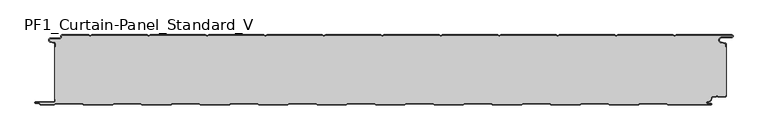
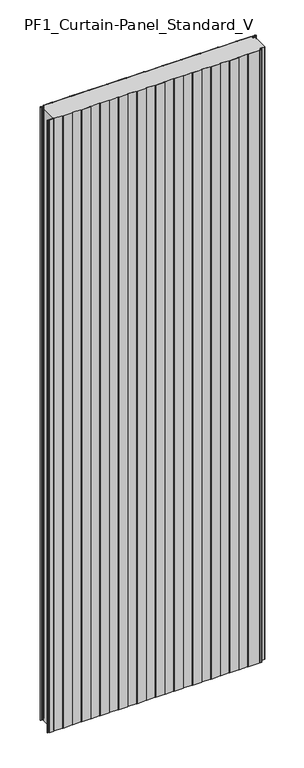
"""IFC4 building model written with IfcOpenShell, lengths in millimetres: plate geometry, PF1_Curtain-Panel_Standard_V."""

import ifcopenshell
import ifcopenshell.guid

model = None  # the IFC model being written
_history = None  # IfcOwnerHistory: only IFC2X3 demands one
_inside = {}  # id of a spatial element -> (the spatial element, [elements in it])
_under = {}  # id of a project, library or spatial element -> (it, [spatial elements below it])
_declared = {}  # id of a project -> (the project, [libraries it declares])
_typed = {}  # id of a type object -> (the type object, [elements of that type])
_made_of = {}  # id of a material, layer set ... -> (it, [elements and type objects made of it])


def new_model(schema):
    """Start an empty IFC model of exactly this schema.

    Asked for "IFC4X3", IfcOpenShell would pick the latest addendum, in which some entities
    have other attributes; the version numbers below select the first issue.
    IFC2X3 requires an IfcOwnerHistory on every rooted entity: one is made here for all.
    """
    global model, _history
    if schema == "IFC4X3":
        model = ifcopenshell.file(schema_version=(4, 3, 0, 0))
    else:
        model = ifcopenshell.file(schema=schema)
    _inside.clear()
    _under.clear()
    _declared.clear()
    _typed.clear()
    _made_of.clear()
    _history = None
    if model.schema == "IFC2X3":
        org = make("IfcOrganization", Name="unknown")
        user = make(
            "IfcPersonAndOrganization",
            ThePerson=make("IfcPerson", FamilyName="unknown"),
            TheOrganization=org,
        )
        app = make(
            "IfcApplication",
            ApplicationDeveloper=org,
            Version="unknown",
            ApplicationFullName="unknown",
            ApplicationIdentifier="unknown",
        )
        _history = make(
            "IfcOwnerHistory",
            OwningUser=user,
            OwningApplication=app,
            ChangeAction="ADDED",
            CreationDate=0,
        )
    return model


def make(cls, **values):
    """One entity of the class cls with the attributes given. An attribute that is None is left unset."""
    return model.create_entity(
        cls, **{name: value for name, value in values.items() if value is not None}
    )


def rooted(cls, **values):
    """An entity with a GlobalId (a new one), such as an element, a storey or a relation."""
    return make(cls, GlobalId=ifcopenshell.guid.new(), OwnerHistory=_history, **values)


def si_unit(unit_type, name, prefix=None):
    """IfcSIUnit, for example si_unit("LENGTHUNIT", "METRE", prefix="MILLI")."""
    return make("IfcSIUnit", UnitType=unit_type, Prefix=prefix, Name=name)


def assignment(units):
    """IfcUnitAssignment: the units of a project."""
    return None if units is None else make("IfcUnitAssignment", Units=units)


def point(xyz):
    """IfcCartesianPoint."""
    return None if xyz is None else make("IfcCartesianPoint", Coordinates=xyz)


def direction(xyz):
    """IfcDirection."""
    return None if xyz is None else make("IfcDirection", DirectionRatios=xyz)


def frame(location, z_axis=None, x_axis=None):
    """IfcAxis2Placement3D, a coordinate frame: its origin and axes. An axis left out is left unset."""
    return make(
        "IfcAxis2Placement3D",
        Location=point(location),
        Axis=direction(z_axis),
        RefDirection=direction(x_axis),
    )


def frame_2d(location, x_axis=None):
    """IfcAxis2Placement2D, a coordinate frame in the plane: its origin and x axis."""
    return make(
        "IfcAxis2Placement2D", Location=point(location), RefDirection=direction(x_axis)
    )


def origin():
    """The frame at (0, 0, 0) with its axes left unset."""
    return frame((0.0, 0.0, 0.0))


def origin_with_axes():
    """The frame at (0, 0, 0) with the z axis (0, 0, 1) and the x axis (1, 0, 0) written out."""
    return frame((0.0, 0.0, 0.0), z_axis=(0.0, 0.0, 1.0), x_axis=(1.0, 0.0, 0.0))


def place(relative_to, where):
    """IfcLocalPlacement: puts the frame where relative to a parent placement (None: the world)."""
    return make(
        "IfcLocalPlacement", PlacementRelTo=relative_to, RelativePlacement=where
    )


def context(
    kind, dimensions, precision=None, world=None, true_north=None, identifier=None
):
    """IfcGeometricRepresentationContext, for example the 3D "Model" context."""
    return make(
        "IfcGeometricRepresentationContext",
        ContextIdentifier=identifier,
        ContextType=kind,
        CoordinateSpaceDimension=dimensions,
        Precision=precision,
        WorldCoordinateSystem=world,
        TrueNorth=true_north,
    )


def project(units=None, contexts=None):
    """IfcProject with its units and contexts."""
    return rooted(
        "IfcProject",
        Name="project",
        RepresentationContexts=contexts,
        UnitsInContext=assignment(units),
    )


def spatial(cls, under=None, at=None, **own):
    """A site, building, storey or space (cls), placed at a placement, below another one or the project."""
    s = rooted(cls, ObjectPlacement=at, **own)
    if under is not None:
        _under.setdefault(under.id(), (under, []))[1].append(s)
    return s


def polyline(points):
    """IfcPolyline through the points."""
    return make("IfcPolyline", Points=[point(p) for p in points])


def circle_curve(where, radius):
    """IfcCircle in the frame where."""
    return make("IfcCircle", Position=where, Radius=radius)


def trimmed(basis, trim1, trim2, sense, master):
    """IfcTrimmedCurve: the piece of a basis curve between two trims."""
    return make(
        "IfcTrimmedCurve",
        BasisCurve=basis,
        Trim1=trim1,
        Trim2=trim2,
        SenseAgreement=sense,
        MasterRepresentation=master,
    )


def segment(curve, same_sense, transition):
    """IfcCompositeCurveSegment."""
    return make(
        "IfcCompositeCurveSegment",
        Transition=transition,
        SameSense=same_sense,
        ParentCurve=curve,
    )


def composite_curve(segments, self_intersect=None):
    """IfcCompositeCurve: segments joined end to end."""
    return make("IfcCompositeCurve", Segments=segments, SelfIntersect=self_intersect)


def outline(outer, holes=None, kind="AREA"):
    """IfcArbitraryClosedProfileDef: a profile drawn as a closed curve; with holes, ...WithVoids."""
    if holes is None:
        return make("IfcArbitraryClosedProfileDef", ProfileType=kind, OuterCurve=outer)
    return make(
        "IfcArbitraryProfileDefWithVoids",
        ProfileType=kind,
        OuterCurve=outer,
        InnerCurves=holes,
    )


def extrude(swept, where, along, depth):
    """IfcExtrudedAreaSolid: the profile swept, set in the frame where, extruded along a direction by depth."""
    return make(
        "IfcExtrudedAreaSolid",
        SweptArea=swept,
        Position=where,
        ExtrudedDirection=direction(along),
        Depth=depth,
    )


def shape(context_of_items, identifier, shape_type, items):
    """IfcShapeRepresentation: the items that make up one representation, for example the "Body"."""
    return make(
        "IfcShapeRepresentation",
        ContextOfItems=context_of_items,
        RepresentationIdentifier=identifier,
        RepresentationType=shape_type,
        Items=items,
    )


def source(mapping_origin, context_of_items, identifier, shape_type, items):
    """IfcRepresentationMap: a shape defined once, which mapped items show again and again."""
    return make(
        "IfcRepresentationMap",
        MappingOrigin=mapping_origin,
        MappedRepresentation=shape(context_of_items, identifier, shape_type, items),
    )


def transform(
    local_origin,
    x_axis=None,
    y_axis=None,
    z_axis=None,
    scale=None,
    scale2=None,
    scale3=None,
    uniform=True,
):
    """IfcCartesianTransformationOperator3D, or its non-uniform kind. x_axis, y_axis, z_axis: its Axis1, 2, 3."""
    if uniform:
        return make(
            "IfcCartesianTransformationOperator3D",
            Axis1=direction(x_axis),
            Axis2=direction(y_axis),
            LocalOrigin=point(local_origin),
            Scale=scale,
            Axis3=direction(z_axis),
        )
    return make(
        "IfcCartesianTransformationOperator3DnonUniform",
        Axis1=direction(x_axis),
        Axis2=direction(y_axis),
        LocalOrigin=point(local_origin),
        Scale=scale,
        Axis3=direction(z_axis),
        Scale2=scale2,
        Scale3=scale3,
    )


def mapped(mapping_source, mapping_target):
    """IfcMappedItem: shows the shape of a source again, moved by a transform."""
    return make(
        "IfcMappedItem", MappingSource=mapping_source, MappingTarget=mapping_target
    )


def made_of(thing, what):
    """Note that an element or type object is made of a material, layer set ...; save() writes the relation."""
    if what is not None:
        _made_of.setdefault(what.id(), (what, []))[1].append(thing)
    return thing


def element(
    cls,
    number,
    at=None,
    inside=None,
    cuts=None,
    type_object=None,
    material=None,
    context=None,
    identifier="Body",
    shape_type=None,
    held_by="IfcProductDefinitionShape",
    body=None,
    shapes=None,
    **own,
):
    """One element of the class cls, such as IfcWall. Its Tag is "e" and its number.

    at: its placement. inside: the storey or other place that contains it. cuts: it is an
    opening in that element (IfcRelVoidsElement). A single representation is given by context,
    identifier, shape_type and body (its items); several are given by shapes. held_by: the class
    of the entity that holds the representations. save() writes the other relations.
    """
    e = rooted(cls, Tag="e%d" % number, ObjectPlacement=at, **own)
    if body is not None:
        shapes = [shape(context, identifier, shape_type, body)]
    if shapes is not None:
        e.Representation = make(held_by, Representations=shapes)
    if inside is not None:
        _inside.setdefault(inside.id(), (inside, []))[1].append(e)
    if cuts is not None:
        rooted(
            "IfcRelVoidsElement", RelatingBuildingElement=cuts, RelatedOpeningElement=e
        )
    if type_object is not None:
        _typed.setdefault(type_object.id(), (type_object, []))[1].append(e)
    return made_of(e, material)


def aggregate(whole, parts):
    """IfcRelAggregates: a whole, such as a stair, and the parts it consists of."""
    return rooted("IfcRelAggregates", RelatingObject=whole, RelatedObjects=parts)


def save(model, path):
    """Write the relations noted so far, then the file.

    IfcRelAggregates (storeys below a building ...), IfcRelContainedInSpatialStructure (elements
    in a storey), IfcRelDefinesByType, IfcRelAssociatesMaterial and IfcRelDeclares: one each for
    every whole, place, type object, material and project.
    """
    for whole, parts in _under.values():
        aggregate(whole, parts)
    for where, things in _inside.values():
        rooted(
            "IfcRelContainedInSpatialStructure",
            RelatedElements=things,
            RelatingStructure=where,
        )
    for kind, things in _typed.values():
        rooted("IfcRelDefinesByType", RelatedObjects=things, RelatingType=kind)
    for what, things in _made_of.values():
        rooted("IfcRelAssociatesMaterial", RelatedObjects=things, RelatingMaterial=what)
    for by, libraries in _declared.values():
        rooted("IfcRelDeclares", RelatingContext=by, RelatedDefinitions=libraries)
    model.write(path)


def pf1_curtain_panel_standard_v_3ad0fd3c(model_context):
    return source(origin(), model_context, "Body", "SweptSolid", [
        extrude(outline(composite_curve([segment(trimmed(circle_curve(frame_2d((-577.0, -15.878557)), 2.0), [point((-575.0, -15.878557))], [point((-576.5500978, -13.9298169))], True, "CARTESIAN"), True, "CONTINUOUS"), segment(polyline([(-576.5500978, -13.9298169), (-582.7098239, -12.507732)]), True, "CONTINUOUS"), segment(trimmed(circle_curve(frame_2d((-581.9, -9.0)), 3.6), [point((-582.7098239, -12.507732))], [point((-581.9, -5.4))], False, "CARTESIAN"), True, "CONTINUOUS"), segment(polyline([(-581.9, -5.4), (-566.4, -5.4)]), True, "CONTINUOUS"), segment(trimmed(circle_curve(frame_2d((-566.4, -3.4)), 2.0), [point((-566.4, -5.4))], [point((-564.4, -3.4))], True, "CARTESIAN"), True, "CONTINUOUS"), segment(polyline([(-564.4, -3.4), (-564.4, -2.0)]), True, "CONTINUOUS"), segment(trimmed(circle_curve(frame_2d((-562.4, -2.0)), 2.0), [point((-564.4, -2.0))], [point((-562.4, 0.0))], False, "CARTESIAN"), True, "CONTINUOUS"), segment(polyline([(-562.4, 0.0), (-517.0999995, 0.0), (-514.4, -1.5588455), (-511.7000005, 0.0), (-417.0999995, 0.0), (-414.4, -1.5588455), (-411.7000005, 0.0), (-317.0999995, 0.0), (-314.4, -1.5588455), (-311.7000005, 0.0), (-217.0999995, 0.0), (-214.4, -1.5588455), (-211.7000005, 0.0), (-117.0999995, 0.0), (-114.4, -1.5588455), (-111.7000005, 0.0), (-17.0999995, 0.0), (-14.4, -1.5588455), (-11.7000005, 0.0), (82.9000005, 0.0), (85.6, -1.5588455), (88.2999995, 0.0), (182.9000005, 0.0), (185.6, -1.5588455), (188.2999995, 0.0), (282.9000005, 0.0), (285.6, -1.5588455), (288.2999995, 0.0), (382.9000005, 0.0), (385.6, -1.5588455), (388.2999995, 0.0), (482.9000005, 0.0), (485.6, -1.5588455), (488.2999995, 0.0), (583.268846, 0.0)]), True, "CONTINUOUS"), segment(trimmed(circle_curve(frame_2d((583.268846, -2.5)), 2.5), [point((583.268846, 0.0))], [point((583.268846, -5.0))], False, "CARTESIAN"), True, "CONTINUOUS"), segment(polyline([(583.268846, -5.0), (566.268846, -5.0)]), True, "CONTINUOUS"), segment(trimmed(circle_curve(frame_2d((566.268846, -9.0)), 4.0), [point((566.268846, -5.0))], [point((565.574253, -12.939231))], True, "CARTESIAN"), True, "CONTINUOUS"), segment(polyline([(565.574253, -12.939231), (572.0203315, -14.0758491)]), True, "CONTINUOUS"), segment(trimmed(circle_curve(frame_2d((571.568846, -16.6363492)), 2.6), [point((572.0203315, -14.0758491))], [point((574.168846, -16.6363492))], False, "CARTESIAN"), True, "CONTINUOUS"), segment(polyline([(574.168846, -16.6363492), (574.168846, -20.0), (573.368846, -20.0), (573.368846, -16.6363492)]), True, "CONTINUOUS"), segment(trimmed(circle_curve(frame_2d((571.568846, -16.6363492)), 1.8), [point((573.368846, -16.6363492))], [point((571.8814129, -14.8636953))], True, "CARTESIAN"), True, "CONTINUOUS"), segment(polyline([(571.8814129, -14.8636953), (565.4353344, -13.7270772)]), True, "CONTINUOUS"), segment(trimmed(circle_curve(frame_2d((566.268846, -9.0)), 4.8), [point((565.4353344, -13.7270772))], [point((566.268846, -4.2))], False, "CARTESIAN"), True, "CONTINUOUS"), segment(polyline([(566.268846, -4.2), (583.268846, -4.2)]), True, "CONTINUOUS"), segment(trimmed(circle_curve(frame_2d((583.268846, -2.5)), 1.7), [point((583.268846, -4.2))], [point((583.268846, -0.8))], True, "CARTESIAN"), True, "CONTINUOUS"), segment(polyline([(583.268846, -0.8), (488.5143588, -0.8), (485.6, -2.482606), (482.6856412, -0.8), (388.5143588, -0.8), (385.6, -2.482606), (382.6856412, -0.8), (288.5143588, -0.8), (285.6, -2.482606), (282.6856412, -0.8), (188.5143588, -0.8), (185.6, -2.482606), (182.6856412, -0.8), (88.5143588, -0.8), (85.6, -2.482606), (82.6856412, -0.8), (-11.4856412, -0.8), (-14.4, -2.482606), (-17.3143588, -0.8), (-111.4856412, -0.8), (-114.4, -2.482606), (-117.3143588, -0.8), (-211.4856412, -0.8), (-214.4, -2.482606), (-217.3143588, -0.8), (-311.4856412, -0.8), (-314.4, -2.482606), (-317.3143588, -0.8), (-411.4856412, -0.8), (-414.4, -2.482606), (-417.3143588, -0.8), (-511.4856412, -0.8), (-514.4, -2.482606), (-517.3143588, -0.8), (-562.4, -0.8)]), True, "CONTINUOUS"), segment(trimmed(circle_curve(frame_2d((-562.4, -2.0)), 1.2), [point((-562.4, -0.8))], [point((-563.6, -2.0))], True, "CARTESIAN"), True, "CONTINUOUS"), segment(polyline([(-563.6, -2.0), (-563.6, -3.4)]), True, "CONTINUOUS"), segment(trimmed(circle_curve(frame_2d((-566.4, -3.4)), 2.8), [point((-563.6, -3.4))], [point((-566.4, -6.2))], False, "CARTESIAN"), True, "CONTINUOUS"), segment(polyline([(-566.4, -6.2), (-581.9, -6.2)]), True, "CONTINUOUS"), segment(trimmed(circle_curve(frame_2d((-581.9, -9.0)), 2.8), [point((-581.9, -6.2))], [point((-582.529863, -11.7282362))], True, "CARTESIAN"), True, "CONTINUOUS"), segment(polyline([(-582.529863, -11.7282362), (-576.370137, -13.150321)]), True, "CONTINUOUS"), segment(trimmed(circle_curve(frame_2d((-577.0, -15.878557)), 2.8), [point((-576.370137, -13.150321))], [point((-574.2, -15.878557))], False, "CARTESIAN"), True, "CONTINUOUS"), segment(polyline([(-574.2, -15.878557), (-574.2, -20.0), (-575.0, -20.0), (-575.0, -15.878557)]), True, "CONTINUOUS")], self_intersect=False)), origin_with_axes(), (0.0, 0.0, 1.0), 3500.0),
        extrude(outline(composite_curve([segment(polyline([(-574.2, -110.0), (-575.0, -110.0), (-575.0, -20.0), (-574.2, -20.0), (-574.2, -15.878557)]), True, "CONTINUOUS"), segment(trimmed(circle_curve(frame_2d((-577.0, -15.878557)), 2.8), [point((-574.2, -15.878557))], [point((-576.370137, -13.1503208))], True, "CARTESIAN"), True, "CONTINUOUS"), segment(polyline([(-576.370137, -13.1503208), (-582.529863, -11.7282362)]), True, "CONTINUOUS"), segment(trimmed(circle_curve(frame_2d((-581.9, -9.0)), 2.8), [point((-582.529863, -11.7282362))], [point((-581.9, -6.2))], False, "CARTESIAN"), True, "CONTINUOUS"), segment(polyline([(-581.9, -6.2), (-566.4, -6.2)]), True, "CONTINUOUS"), segment(trimmed(circle_curve(frame_2d((-566.4, -3.4)), 2.8), [point((-566.4, -6.2))], [point((-563.6, -3.4))], True, "CARTESIAN"), True, "CONTINUOUS"), segment(polyline([(-563.6, -3.4), (-563.6, -2.0)]), True, "CONTINUOUS"), segment(trimmed(circle_curve(frame_2d((-562.4, -2.0)), 1.2), [point((-563.6, -2.0))], [point((-562.4, -0.8))], False, "CARTESIAN"), True, "CONTINUOUS"), segment(polyline([(-562.4, -0.8), (-517.3143588, -0.8), (-514.4, -2.482606), (-511.4856412, -0.8), (-417.3143588, -0.8), (-414.4, -2.482606), (-411.4856412, -0.8), (-317.3143588, -0.8), (-314.4, -2.482606), (-311.4856412, -0.8), (-217.3143588, -0.8), (-214.4, -2.482606), (-211.4856412, -0.8), (-117.3143588, -0.8), (-114.4, -2.482606), (-111.4856412, -0.8), (-17.3143588, -0.8), (-14.4, -2.482606), (-11.4856412, -0.8), (82.6856412, -0.8), (85.6, -2.482606), (88.5143588, -0.8), (182.6856412, -0.8), (185.6, -2.482606), (188.5143588, -0.8), (282.6856412, -0.8), (285.6, -2.482606), (288.5143588, -0.8), (382.6856412, -0.8), (385.6, -2.482606), (388.5143588, -0.8), (482.6856412, -0.8), (485.6, -2.482606), (488.5143588, -0.8), (583.268846, -0.8)]), True, "CONTINUOUS"), segment(trimmed(circle_curve(frame_2d((583.268846, -2.5)), 1.7), [point((583.268846, -0.8))], [point((583.268846, -4.2))], False, "CARTESIAN"), True, "CONTINUOUS"), segment(polyline([(583.268846, -4.2), (566.268846, -4.2)]), True, "CONTINUOUS"), segment(trimmed(circle_curve(frame_2d((566.268846, -9.0)), 4.8), [point((566.268846, -4.2))], [point((565.4353344, -13.7270772))], True, "CARTESIAN"), True, "CONTINUOUS"), segment(polyline([(565.4353344, -13.7270772), (571.8814129, -14.8636953)]), True, "CONTINUOUS"), segment(trimmed(circle_curve(frame_2d((571.568846, -16.6363492)), 1.8), [point((571.8814129, -14.8636953))], [point((573.368846, -16.6363492))], False, "CARTESIAN"), True, "CONTINUOUS"), segment(polyline([(573.368846, -16.6363492), (573.368846, -20.0), (574.168846, -20.0), (574.168846, -103.0), (573.368846, -103.0), (573.368846, -104.4)]), True, "CONTINUOUS"), segment(trimmed(circle_curve(frame_2d((571.568846, -104.4)), 1.8), [point((573.368846, -104.4))], [point((571.568846, -106.2))], False, "CARTESIAN"), True, "CONTINUOUS"), segment(polyline([(571.568846, -106.2), (560.0002158, -106.2), (558.168846, -104.3686285), (556.3374762, -106.2), (550.168846, -106.2)]), True, "CONTINUOUS"), segment(trimmed(circle_curve(frame_2d((550.168846, -108.0)), 1.8), [point((550.168846, -106.2))], [point((548.368846, -108.0))], True, "CARTESIAN"), True, "CONTINUOUS"), segment(polyline([(548.368846, -108.0), (548.368846, -108.8276204)]), True, "CONTINUOUS"), segment(trimmed(circle_curve(frame_2d((542.9964664, -108.8276204)), 5.3723796), [point((548.368846, -108.8276204))], [point((542.9964664, -114.2))], False, "CARTESIAN"), True, "CONTINUOUS"), segment(polyline([(542.9964664, -114.2), (542.168846, -114.2)]), True, "CONTINUOUS"), segment(trimmed(circle_curve(frame_2d((542.168846, -116.4)), 2.2), [point((542.168846, -114.2))], [point((542.168846, -118.6))], True, "CARTESIAN"), True, "CONTINUOUS"), segment(polyline([(542.168846, -118.6), (548.0579973, -118.6)]), True, "CONTINUOUS"), segment(trimmed(circle_curve(frame_2d((548.0579973, -118.9)), 0.3), [point((548.0579973, -118.6))], [point((548.0579973, -119.2))], False, "CARTESIAN"), True, "CONTINUOUS"), segment(polyline([(548.0579973, -119.2), (474.2152562, -119.2), (471.6171786, -117.7), (426.3884624, -117.7), (423.7903848, -119.2), (374.2152562, -119.2), (371.6171786, -117.7), (326.3884624, -117.7), (323.7903848, -119.2), (274.2152562, -119.2), (271.6171786, -117.7), (226.3884624, -117.7), (223.7903848, -119.2), (174.2152562, -119.2), (171.6171786, -117.7), (126.3884624, -117.7), (123.7903848, -119.2), (74.2152562, -119.2), (71.6171786, -117.7), (26.3884624, -117.7), (23.7903848, -119.2), (-25.7847438, -119.2), (-28.3828214, -117.7), (-73.6115376, -117.7), (-76.2096152, -119.2), (-125.7847438, -119.2), (-128.3828214, -117.7), (-173.6115376, -117.7), (-176.2096152, -119.2), (-225.7847438, -119.2), (-228.3828214, -117.7), (-273.6115376, -117.7), (-276.2096152, -119.2), (-325.7847438, -119.2), (-328.3828214, -117.7), (-373.6115376, -117.7), (-376.2096152, -119.2), (-425.7847438, -119.2), (-428.3828214, -117.7), (-473.6115376, -117.7), (-476.2096152, -119.2), (-525.7847438, -119.2), (-528.3828214, -117.7), (-573.6115376, -117.7), (-576.2096152, -119.2), (-599.4, -119.2)]), True, "CONTINUOUS"), segment(trimmed(circle_curve(frame_2d((-599.4, -118.4)), 0.8), [point((-599.4, -119.2))], [point((-600.2, -118.4))], False, "CARTESIAN"), True, "CONTINUOUS"), segment(trimmed(circle_curve(frame_2d((-601.9, -118.6133333)), 1.7133333), [point((-600.2, -118.4))], [point((-601.9, -116.9))], True, "CARTESIAN"), True, "CONTINUOUS"), segment(polyline([(-601.9, -116.9), (-607.8700312, -116.9)]), True, "CONTINUOUS"), segment(trimmed(circle_curve(frame_2d((-607.8700312, -116.6)), 0.3), [point((-607.8700312, -116.9))], [point((-607.8700312, -116.3))], False, "CARTESIAN"), True, "CONTINUOUS"), segment(polyline([(-607.8700312, -116.3), (-577.0, -116.3)]), True, "CONTINUOUS"), segment(trimmed(circle_curve(frame_2d((-577.0, -113.5)), 2.8), [point((-577.0, -116.3))], [point((-574.2, -113.5))], True, "CARTESIAN"), True, "CONTINUOUS"), segment(polyline([(-574.2, -113.5), (-574.2, -110.0)]), True, "CONTINUOUS")], self_intersect=False)), origin_with_axes(), (0.0, 0.0, 1.0), 3500.0),
        extrude(outline(composite_curve([segment(polyline([(-575.0, -110.0), (-574.2, -110.0), (-574.2, -113.5)]), True, "CONTINUOUS"), segment(trimmed(circle_curve(frame_2d((-577.0, -113.5)), 2.8), [point((-574.2, -113.5))], [point((-577.0, -116.3))], False, "CARTESIAN"), True, "CONTINUOUS"), segment(polyline([(-577.0, -116.3), (-607.8700312, -116.3)]), True, "CONTINUOUS"), segment(trimmed(circle_curve(frame_2d((-607.8700312, -116.6)), 0.3), [point((-607.8700312, -116.3))], [point((-607.8700312, -116.9))], True, "CARTESIAN"), True, "CONTINUOUS"), segment(polyline([(-607.8700312, -116.9), (-601.9, -116.9)]), True, "CONTINUOUS"), segment(trimmed(circle_curve(frame_2d((-601.9, -118.6133333)), 1.7133333), [point((-601.9, -116.9))], [point((-600.2, -118.4))], False, "CARTESIAN"), True, "CONTINUOUS"), segment(trimmed(circle_curve(frame_2d((-599.4, -118.4)), 0.8), [point((-600.2, -118.4))], [point((-599.4, -119.2))], True, "CARTESIAN"), True, "CONTINUOUS"), segment(polyline([(-599.4, -119.2), (-576.2096152, -119.2), (-573.6115376, -117.7), (-528.3828214, -117.7), (-525.7847438, -119.2), (-476.2096152, -119.2), (-473.6115376, -117.7), (-428.3828214, -117.7), (-425.7847438, -119.2), (-376.2096152, -119.2), (-373.6115376, -117.7), (-328.3828214, -117.7), (-325.7847438, -119.2), (-276.2096152, -119.2), (-273.6115376, -117.7), (-228.3828214, -117.7), (-225.7847438, -119.2), (-176.2096152, -119.2), (-173.6115376, -117.7), (-128.3828214, -117.7), (-125.7847438, -119.2), (-76.2096152, -119.2), (-73.6115376, -117.7), (-28.3828214, -117.7), (-25.7847438, -119.2), (23.7903848, -119.2), (26.3884624, -117.7), (71.6171786, -117.7), (74.2152562, -119.2), (123.7903848, -119.2), (126.3884624, -117.7), (171.6171786, -117.7), (174.2152562, -119.2), (223.7903848, -119.2), (226.3884624, -117.7), (271.6171786, -117.7), (274.2152562, -119.2), (323.7903848, -119.2), (326.3884624, -117.7), (371.6171786, -117.7), (374.2152562, -119.2), (423.7903848, -119.2), (426.3884624, -117.7), (471.6171786, -117.7), (474.2152562, -119.2), (548.0579973, -119.2)]), True, "CONTINUOUS"), segment(trimmed(circle_curve(frame_2d((548.0579973, -118.9)), 0.3), [point((548.0579973, -119.2))], [point((548.0579973, -118.6))], True, "CARTESIAN"), True, "CONTINUOUS"), segment(polyline([(548.0579973, -118.6), (542.168846, -118.6)]), True, "CONTINUOUS"), segment(trimmed(circle_curve(frame_2d((542.168846, -116.4)), 2.2), [point((542.168846, -118.6))], [point((542.168846, -114.2))], False, "CARTESIAN"), True, "CONTINUOUS"), segment(polyline([(542.168846, -114.2), (542.9964664, -114.2)]), True, "CONTINUOUS"), segment(trimmed(circle_curve(frame_2d((542.9964664, -108.8276204)), 5.3723796), [point((542.9964664, -114.2))], [point((548.368846, -108.8276204))], True, "CARTESIAN"), True, "CONTINUOUS"), segment(polyline([(548.368846, -108.8276204), (548.368846, -108.0)]), True, "CONTINUOUS"), segment(trimmed(circle_curve(frame_2d((550.168846, -108.0)), 1.8), [point((548.368846, -108.0))], [point((550.168846, -106.2))], False, "CARTESIAN"), True, "CONTINUOUS"), segment(polyline([(550.168846, -106.2), (556.3374762, -106.2), (558.168846, -104.3686285), (560.0002158, -106.2), (571.568846, -106.2)]), True, "CONTINUOUS"), segment(trimmed(circle_curve(frame_2d((571.568846, -104.4)), 1.8), [point((571.568846, -106.2))], [point((573.368846, -104.4))], True, "CARTESIAN"), True, "CONTINUOUS"), segment(polyline([(573.368846, -104.4), (573.368846, -103.0), (574.168846, -103.0), (574.168846, -104.4)]), True, "CONTINUOUS"), segment(trimmed(circle_curve(frame_2d((571.568846, -104.4)), 2.6), [point((574.168846, -104.4))], [point((571.568846, -107.0))], False, "CARTESIAN"), True, "CONTINUOUS"), segment(polyline([(571.568846, -107.0), (559.6688448, -107.0), (558.168846, -105.4999999), (556.6688472, -107.0), (550.168846, -107.0)]), True, "CONTINUOUS"), segment(trimmed(circle_curve(frame_2d((550.168846, -108.0)), 1.0), [point((550.168846, -107.0))], [point((549.168846, -108.0))], True, "CARTESIAN"), True, "CONTINUOUS"), segment(polyline([(549.168846, -108.0), (549.168846, -108.8276204)]), True, "CONTINUOUS"), segment(trimmed(circle_curve(frame_2d((542.9964664, -108.8276204)), 6.1723796), [point((549.168846, -108.8276204))], [point((542.9964664, -115.0))], False, "CARTESIAN"), True, "CONTINUOUS"), segment(polyline([(542.9964664, -115.0), (542.168846, -115.0)]), True, "CONTINUOUS"), segment(trimmed(circle_curve(frame_2d((542.168846, -116.5)), 1.5), [point((542.168846, -115.0))], [point((542.168846, -118.0))], True, "CARTESIAN"), True, "CONTINUOUS"), segment(polyline([(542.168846, -118.0), (548.168846, -118.0)]), True, "CONTINUOUS"), segment(trimmed(circle_curve(frame_2d((548.168846, -119.0)), 1.0), [point((548.168846, -118.0))], [point((548.168846, -120.0))], False, "CARTESIAN"), True, "CONTINUOUS"), segment(polyline([(548.168846, -120.0), (474.0008969, -120.0), (471.4028193, -118.5), (426.6028217, -118.5), (424.0047441, -120.0), (374.0008969, -120.0), (371.4028193, -118.5), (326.6028217, -118.5), (324.0047441, -120.0), (274.0008969, -120.0), (271.4028193, -118.5), (226.6028217, -118.5), (224.0047441, -120.0), (174.0008969, -120.0), (171.4028193, -118.5), (126.6028217, -118.5), (124.0047441, -120.0), (74.0008969, -120.0), (71.4028193, -118.5), (26.6028217, -118.5), (24.0047441, -120.0), (-25.9991031, -120.0), (-28.5971807, -118.5), (-73.3971783, -118.5), (-75.9952559, -120.0), (-125.9991031, -120.0), (-128.5971807, -118.5), (-173.3971783, -118.5), (-175.9952559, -120.0), (-225.9991031, -120.0), (-228.5971807, -118.5), (-273.3971783, -118.5), (-275.9952559, -120.0), (-325.9991031, -120.0), (-328.5971807, -118.5), (-373.3971783, -118.5), (-375.9952559, -120.0), (-425.9991031, -120.0), (-428.5971807, -118.5), (-473.3971783, -118.5), (-475.9952559, -120.0), (-525.9991031, -120.0), (-528.5971807, -118.5), (-573.3971783, -118.5), (-575.9952559, -120.0), (-599.4, -120.0)]), True, "CONTINUOUS"), segment(trimmed(circle_curve(frame_2d((-599.4, -118.4)), 1.6), [point((-599.4, -120.0))], [point((-601.0, -118.4))], False, "CARTESIAN"), True, "CONTINUOUS"), segment(trimmed(circle_curve(frame_2d((-601.9, -118.4)), 0.9), [point((-601.0, -118.4))], [point((-601.9, -117.5))], True, "CARTESIAN"), True, "CONTINUOUS"), segment(polyline([(-601.9, -117.5), (-608.0, -117.5)]), True, "CONTINUOUS"), segment(trimmed(circle_curve(frame_2d((-608.0, -116.5)), 1.0), [point((-608.0, -117.5))], [point((-608.0, -115.5))], False, "CARTESIAN"), True, "CONTINUOUS"), segment(polyline([(-608.0, -115.5), (-577.0, -115.5)]), True, "CONTINUOUS"), segment(trimmed(circle_curve(frame_2d((-577.0, -113.5)), 2.0), [point((-577.0, -115.5))], [point((-575.0, -113.5))], True, "CARTESIAN"), True, "CONTINUOUS"), segment(polyline([(-575.0, -113.5), (-575.0, -110.0)]), True, "CONTINUOUS")], self_intersect=False)), origin_with_axes(), (0.0, 0.0, 1.0), 3500.0),
    ])


if __name__ == "__main__":
    model = new_model("IFC4")
    model_context = context("Model", 3, world=origin())
    ifc_project = project(units=[si_unit("LENGTHUNIT", "METRE", prefix="MILLI")], contexts=[model_context])
    site = spatial("IfcSite", under=ifc_project)
    building = spatial("IfcBuilding", under=site)
    placement = place(None, origin())
    pf1_curtain_panel_standard_v_shape = pf1_curtain_panel_standard_v_3ad0fd3c(model_context)
    element("IfcPlate", 1, ObjectType="PF1_Curtain-Panel_Standard_V", at=placement, inside=building, context=model_context, shape_type="MappedRepresentation", body=[
        mapped(pf1_curtain_panel_standard_v_shape, transform((0.0, 0.0, 0.0), x_axis=(1.0, 0.0, 0.0), y_axis=(0.0, 1.0, 0.0), z_axis=(0.0, 0.0, 1.0))),
    ])
    save(model, "model.ifc")
